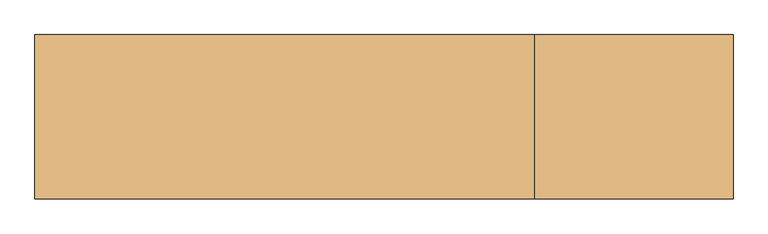
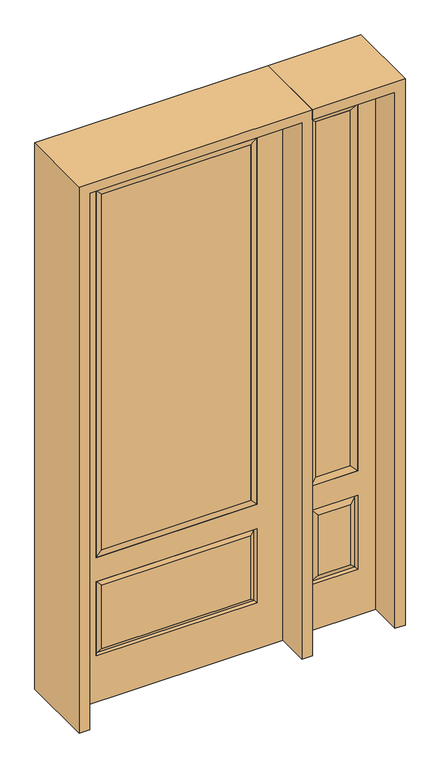
"""IFC4 building model written with IfcOpenShell, lengths in millimetres: door geometry."""

from ifc_helpers import new_model, si_unit, frame, origin, place, context, project, spatial, polyline, outline, extrude, faceted_brep, source, transform, mapped, element, save


def door_0d9277fb(model_context):
    return source(origin(), model_context, "Body", "SolidModel", [
        faceted_brep([(501.65, -22.225, 0.0), (857.25, -22.225, 0.0), (857.25, -22.225, 2438.4), (501.65, -22.225, 2438.4), (779.78, -22.225, 2325.624), (779.78, -22.225, 657.098), (579.12, -22.225, 657.098), (579.12, -22.225, 2325.624), (779.78, -22.225, 209.55), (579.12, -22.225, 209.55), (579.12, -22.225, 546.1), (779.78, -22.225, 546.1), (610.8351001, -22.225, 241.2651001), (748.0648999, -22.225, 241.2651001), (748.0648999, -22.225, 514.3848999), (610.8351001, -22.225, 514.3848999), (501.65, 22.225, 0.0), (501.65, 22.225, 2438.4), (857.25, 22.225, 2438.4), (857.25, 22.225, 0.0), (779.78, 22.225, 2325.624), (579.12, 22.225, 2325.624), (579.12, 22.225, 657.098), (779.78, 22.225, 657.098), (579.12, 22.225, 209.55), (779.78, 22.225, 209.55), (779.78, 22.225, 546.1), (579.12, 22.225, 546.1), (748.0648999, 22.225, 241.2651001), (610.8351001, 22.225, 241.2651001), (610.8351001, 22.225, 514.3848999), (748.0648999, 22.225, 514.3848999), (772.6711499, 12.7912373, 216.6588501), (586.2288501, 12.7912373, 216.6588501), (586.2288501, 12.7912373, 538.9911499), (772.6711499, 12.7912373, 538.9911499), (586.2288501, -12.7912373, 216.6588501), (772.6711499, -12.7912373, 216.6588501), (586.2288501, -12.7912373, 538.9911499), (772.6711499, -12.7912373, 538.9911499)], [[[0, 1, 2, 3], [4, 5, 6, 7], [8, 9, 10, 11]], [[12, 13, 14, 15]], [[16, 17, 18, 19], [20, 21, 22, 23], [24, 25, 26, 27]], [[28, 29, 30, 31]], [[1, 0, 16, 19]], [[2, 1, 19, 18]], [[3, 2, 18, 17]], [[0, 3, 17, 16]], [[5, 4, 20, 23]], [[6, 5, 23, 22]], [[7, 6, 22, 21]], [[4, 7, 21, 20]], [[32, 33, 29, 28]], [[33, 32, 25, 24]], [[29, 33, 34, 30]], [[33, 24, 27, 34]], [[30, 34, 35, 31]], [[34, 27, 26, 35]], [[32, 28, 31, 35]], [[25, 32, 35, 26]], [[12, 36, 37, 13]], [[37, 36, 9, 8]], [[36, 12, 15, 38]], [[9, 36, 38, 10]], [[38, 15, 14, 39]], [[10, 38, 39, 11]], [[13, 37, 39, 14]], [[37, 8, 11, 39]]]),
        faceted_brep([(579.12, 22.225, 2325.624), (579.12, -22.225, 2325.624), (779.78, -22.225, 2325.624), (779.78, 22.225, 2325.624), (604.52, 12.7, 2300.224), (754.38, 12.7, 2300.224), (604.52, -12.7, 2300.224), (754.38, -12.7, 2300.224), (779.78, -22.225, 657.098), (779.78, 22.225, 657.098), (754.38, 12.7, 682.498), (754.38, -12.7, 682.498), (579.12, -22.225, 657.098), (579.12, 22.225, 657.098), (604.52, 12.7, 682.498), (604.52, -12.7, 682.498)], [[[0, 1, 2, 3]], [[4, 0, 3, 5]], [[6, 4, 5, 7]], [[1, 6, 7, 2]], [[3, 2, 8, 9]], [[5, 3, 9, 10]], [[7, 5, 10, 11]], [[2, 7, 11, 8]], [[9, 8, 12, 13]], [[10, 9, 13, 14]], [[11, 10, 14, 15]], [[8, 11, 15, 12]], [[13, 12, 1, 0]], [[14, 13, 0, 4]], [[15, 14, 4, 6]], [[12, 15, 6, 1]]]),
        extrude(outline(polyline([(754.38, -12.7), (604.52, -12.7), (604.52, 12.7), (754.38, 12.7), (754.38, -12.7)])), frame((0.0, 0.0, 682.498), z_axis=(0.0, 0.0, 1.0), x_axis=(1.0, 0.0, 0.0)), (0.0, 0.0, 1.0), 1617.726),
        extrude(outline(polyline([(320.675, -20.32), (-320.675, -20.32), (-320.675, 5.08), (320.675, 5.08), (320.675, -20.32)])), frame((0.0, 0.0, 682.498), z_axis=(0.0, 0.0, 1.0), x_axis=(1.0, 0.0, 0.0)), (0.0, 0.0, 1.0), 1616.202),
        faceted_brep([(-338.9661499, -12.7912373, 216.6588501), (338.9661499, -12.7912373, 216.6588501), (321.46875, -22.225, 234.15625), (-321.46875, -22.225, 234.15625), (-346.075, -22.225, 209.55), (346.075, -22.225, 209.55), (-338.9661499, -12.7912373, 538.9911499), (-346.075, -22.225, 546.1), (321.46875, -22.225, 521.49375), (-321.46875, -22.225, 521.49375), (457.2, -22.225, 2438.4), (-457.2, -22.225, 2438.4), (-457.2, -22.225, 0.0), (457.2, -22.225, 0.0), (346.075, -22.225, 546.1), (346.075, -22.225, 2324.1), (346.075, -22.225, 657.098), (-346.075, -22.225, 657.098), (-346.075, -22.225, 2324.1), (338.9661499, -12.7912373, 538.9911499), (-457.2, 22.225, 2438.4), (-457.2, 22.225, 0.0), (457.2, 22.225, 0.0), (457.2, 22.225, 2438.4), (346.075, 22.225, 2324.1), (346.075, 22.225, 657.098), (-346.075, 22.225, 657.098), (-346.075, 22.225, 2324.1), (-346.075, 22.225, 209.55), (346.075, 22.225, 209.55), (346.075, 22.225, 546.1), (-346.075, 22.225, 546.1), (321.46875, 22.225, 234.15625), (-321.46875, 22.225, 234.15625), (-321.46875, 22.225, 521.49375), (321.46875, 22.225, 521.49375), (-338.9661499, 12.7912373, 216.6588501), (338.9661499, 12.7912373, 216.6588501), (338.9661499, 12.7912373, 538.9911499), (-338.9661499, 12.7912373, 538.9911499)], [[[0, 1, 2, 3]], [[1, 0, 4, 5]], [[4, 0, 6, 7]], [[3, 2, 8, 9]], [[10, 11, 12, 13], [5, 4, 7, 14], [15, 16, 17, 18]], [[1, 5, 14, 19]], [[2, 1, 19, 8]], [[0, 3, 9, 6]], [[7, 6, 19, 14]], [[6, 9, 8, 19]], [[12, 11, 20, 21]], [[13, 12, 21, 22]], [[10, 13, 22, 23]], [[16, 15, 24, 25]], [[17, 16, 25, 26]], [[18, 17, 26, 27]], [[23, 22, 21, 20], [28, 29, 30, 31], [24, 27, 26, 25]], [[32, 33, 34, 35]], [[28, 36, 37, 29]], [[29, 37, 38, 30]], [[39, 31, 30, 38]], [[36, 28, 31, 39]], [[37, 36, 33, 32]], [[33, 36, 39, 34]], [[34, 39, 38, 35]], [[37, 32, 35, 38]], [[11, 10, 23, 20]], [[15, 18, 27, 24]]]),
        faceted_brep([(-346.075, -22.225, 2324.1), (-346.075, 22.225, 2324.1), (-346.075, 22.225, 657.098), (-346.075, -22.225, 657.098), (346.075, 22.225, 657.098), (346.075, -22.225, 657.098), (-320.675, 5.08, 682.498), (320.675, 5.08, 682.498), (346.075, 22.225, 2324.1), (346.075, -22.225, 2324.1), (-320.675, -20.32, 682.498), (320.675, -20.32, 682.498), (-320.675, -20.32, 2298.7), (320.675, -20.32, 2298.7), (-320.675, 5.08, 2298.7), (320.675, 5.08, 2298.7)], [[[0, 1, 2, 3]], [[3, 2, 4, 5]], [[2, 6, 7, 4]], [[5, 4, 8, 9]], [[10, 3, 5, 11]], [[12, 0, 3, 10]], [[11, 5, 9, 13]], [[6, 10, 11, 7]], [[14, 12, 10, 6]], [[7, 11, 13, 15]], [[1, 14, 6, 2]], [[4, 7, 15, 8]], [[9, 8, 1, 0]], [[13, 9, 0, 12]], [[15, 13, 12, 14]], [[8, 15, 14, 1]]]),
        extrude(outline(polyline([(2482.85, -501.65), (0.0, -501.65), (0.0, -457.2), (2438.4, -457.2), (2438.4, 457.2), (0.0, 457.2), (0.0, 501.65), (2482.85, 501.65), (2482.85, -501.65)])), frame((0.0, -165.1, 0.0), z_axis=(0.0, 1.0, 0.0), x_axis=(0.0, 0.0, 1.0)), (0.0, 0.0, 1.0), 330.2),
        extrude(outline(polyline([(0.0, 857.25), (0.0, 901.7), (2482.85, 901.7), (2482.85, 501.65), (2438.4, 501.65), (2438.4, 857.25), (0.0, 857.25)])), frame((0.0, -165.1, 0.0), z_axis=(0.0, 1.0, 0.0), x_axis=(0.0, 0.0, 1.0)), (0.0, 0.0, 1.0), 330.2),
    ])


if __name__ == "__main__":
    model = new_model("IFC4")
    model_context = context("Model", 3, world=origin())
    ifc_project = project(units=[si_unit("LENGTHUNIT", "METRE", prefix="MILLI")], contexts=[model_context])
    site = spatial("IfcSite", under=ifc_project)
    building = spatial("IfcBuilding", under=site)
    placement = place(None, origin())
    door_shape = door_0d9277fb(model_context)
    element("IfcDoor", 1, at=placement, inside=building, context=model_context, shape_type="MappedRepresentation", body=[
        mapped(door_shape, transform((0.0, 0.0, 0.0), x_axis=(1.0, 0.0, 0.0), y_axis=(0.0, 1.0, 0.0), z_axis=(0.0, 0.0, 1.0))),
    ])
    save(model, "model.ifc")
